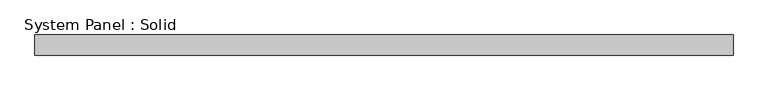
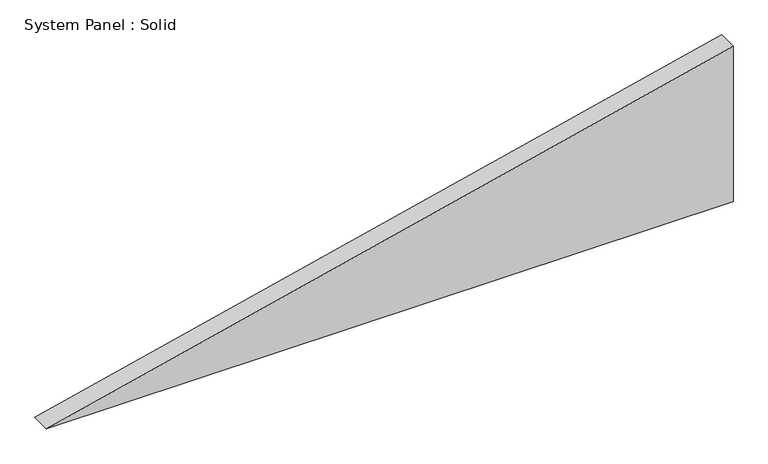
"""IFC4 building model written with IfcOpenShell, lengths in millimetres: plate geometry, System Panel : Solid."""

from ifc_helpers import new_model, si_unit, frame, origin, place, context, project, spatial, polyline, outline, extrude, source, transform, mapped, element, save


def system_panel_solid_b1152861(model_context):
    return source(origin(), model_context, "Body", "SweptSolid", [
        extrude(outline(polyline([(0.0, -1041.057824), (0.0, 1041.057824), (498.4801257, 1041.057824), (0.0, -1041.057824)])), frame((0.0, -10.5, 0.0), z_axis=(0.0, 1.0, 0.0), x_axis=(0.0, 0.0, 1.0)), (0.0, 0.0, 1.0), 60.0),
    ])


if __name__ == "__main__":
    model = new_model("IFC4")
    model_context = context("Model", 3, world=origin())
    ifc_project = project(units=[si_unit("LENGTHUNIT", "METRE", prefix="MILLI")], contexts=[model_context])
    site = spatial("IfcSite", under=ifc_project)
    building = spatial("IfcBuilding", under=site)
    placement = place(None, origin())
    system_panel_solid_shape = system_panel_solid_b1152861(model_context)
    element("IfcPlate", 1, ObjectType="System Panel : Solid", at=placement, inside=building, context=model_context, shape_type="MappedRepresentation", body=[
        mapped(system_panel_solid_shape, transform((0.0, 0.0, 0.0), x_axis=(1.0, 0.0, 0.0), y_axis=(0.0, 1.0, 0.0), z_axis=(0.0, 0.0, 1.0))),
    ])
    save(model, "model.ifc")
